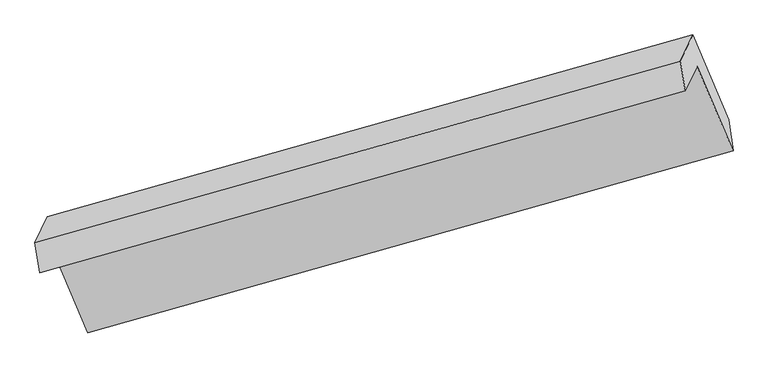
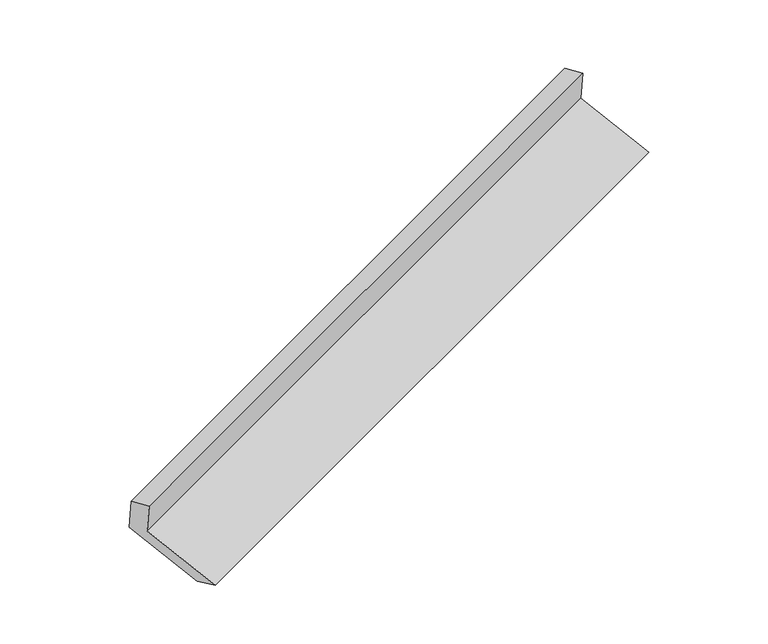
"""IFC4 building model written with IfcOpenShell, lengths in millimetres: proxy geometry."""

from ifc_helpers import new_model, si_unit, origin, place, context, project, spatial, faceted_brep, source, transform, mapped, element, save


def generic_models_3755e96f(model_context):
    return source(origin(), model_context, "Body", "Brep", [
        faceted_brep([(-5140.9045785, -2139.1961241, 1484.2841937), (-5061.299, -1972.746609, 1138.3307361), (-738.0812733, -754.8417595, 2707.7647549), (-817.6868517, -921.2912747, 3053.7182124), (-5173.6897294, -1938.915715, 1418.9948491), (-850.4720027, -721.0108656, 2988.4288679), (-5090.0234647, -1763.9755982, 1055.394281), (-766.805738, -546.0707488, 2624.8282998), (-4849.2882267, -2332.2155481, 837.3898222), (-526.0704999, -1114.3106987, 2406.823841), (-4820.5637619, -2540.9865589, 920.3262773), (-497.3460352, -1323.0817095, 2489.7602961)], [[[0, 1, 2, 3]], [[4, 0, 3, 5]], [[6, 4, 5, 7]], [[8, 6, 7, 9]], [[10, 8, 9, 11]], [[1, 10, 11, 2]], [[9, 7, 5, 3, 2, 11]], [[1, 0, 4, 6, 8, 10]]]),
    ])


if __name__ == "__main__":
    model = new_model("IFC4")
    model_context = context("Model", 3, world=origin())
    ifc_project = project(units=[si_unit("LENGTHUNIT", "METRE", prefix="MILLI")], contexts=[model_context])
    site = spatial("IfcSite", under=ifc_project)
    building = spatial("IfcBuilding", under=site)
    placement = place(None, origin())
    generic_models_shape = generic_models_3755e96f(model_context)
    element("IfcBuildingElementProxy", 1, Name="Generic Models", at=placement, inside=building, context=model_context, shape_type="MappedRepresentation", body=[
        mapped(generic_models_shape, transform((0.0, 0.0, 0.0), x_axis=(1.0, 0.0, 0.0), y_axis=(0.0, 1.0, 0.0), z_axis=(0.0, 0.0, 1.0))),
    ])
    save(model, "model.ifc")
